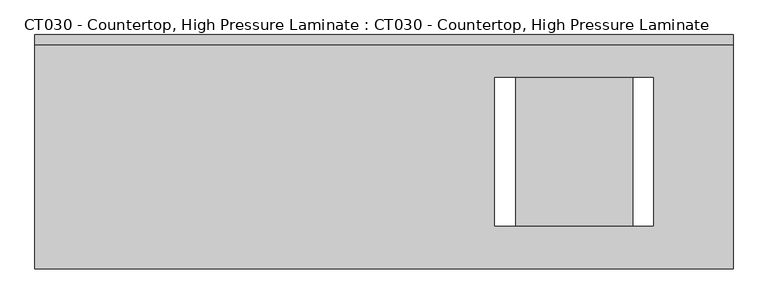
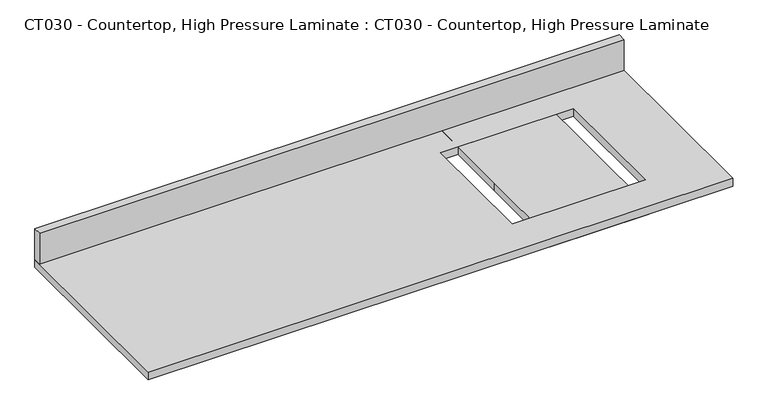
"""IFC4 building model written with IfcOpenShell, lengths in millimetres: proxy geometry, CT030 - Countertop, High Pressure Laminate : CT030 - Countertop, High Pressure Laminate."""

from ifc_helpers import new_model, si_unit, frame, origin, origin_with_axes, place, context, project, spatial, polyline, outline, extrude, source, transform, mapped, element, save


def ct030_countertop_high_pressure_laminate_ct030_countertop_742b69b0(model_context):
    return source(origin(), model_context, "Body", "SweptSolid", [
        extrude(outline(polyline([(413.493559, 304.8), (413.493559, -304.8), (-1402.6349985, -304.8), (-1402.6349985, 304.8), (413.493559, 304.8)]), holes=[polyline([(206.375, 193.288057), (-206.375, 193.288057), (-206.375, -193.288057), (206.375, -193.288057), (206.375, 193.288057)])]), origin_with_axes(), (0.0, 0.0, 1.0), 25.4),
        extrude(outline(polyline([(-1402.6349985, 279.4), (-1402.6349985, 304.8), (413.493559, 304.8), (413.493559, 279.4), (-1402.6349985, 279.4)])), frame((0.0, 0.0, 25.4), z_axis=(0.0, 0.0, 1.0), x_axis=(1.0, 0.0, 0.0)), (0.0, 0.0, 1.0), 101.6),
        extrude(outline(polyline([(-152.4, 304.8), (152.4, 304.8), (152.4, -304.8), (-152.4, -304.8), (-152.4, 0.0), (-152.4, 304.8)])), origin_with_axes(), (0.0, 0.0, 1.0), 25.4),
    ])


if __name__ == "__main__":
    model = new_model("IFC4")
    model_context = context("Model", 3, world=origin())
    ifc_project = project(units=[si_unit("LENGTHUNIT", "METRE", prefix="MILLI")], contexts=[model_context])
    site = spatial("IfcSite", under=ifc_project)
    building = spatial("IfcBuilding", under=site)
    placement = place(None, origin())
    ct030_countertop_high_pressure_laminate_ct030_countertop_shape = ct030_countertop_high_pressure_laminate_ct030_countertop_742b69b0(model_context)
    element("IfcBuildingElementProxy", 1, Name="CT030 - Countertop, High Pressure Laminate : CT030 - Countertop, High Pressure Laminate", ObjectType="CT030 - Countertop, High Pressure Laminate : CT030 - Countertop, High Pressure Laminate", at=placement, inside=building, context=model_context, shape_type="MappedRepresentation", body=[
        mapped(ct030_countertop_high_pressure_laminate_ct030_countertop_shape, transform((0.0, 0.0, 0.0), x_axis=(1.0, 0.0, 0.0), y_axis=(0.0, 1.0, 0.0), z_axis=(0.0, 0.0, 1.0))),
    ])
    save(model, "model.ifc")
